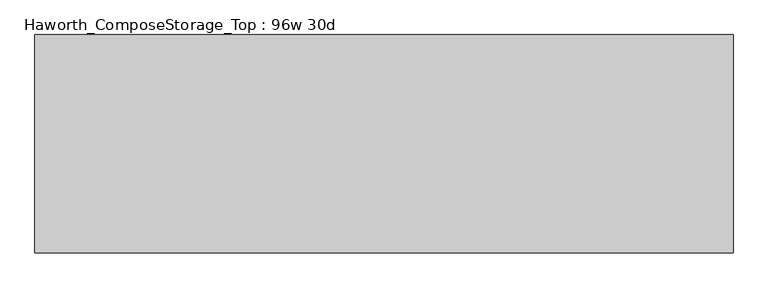
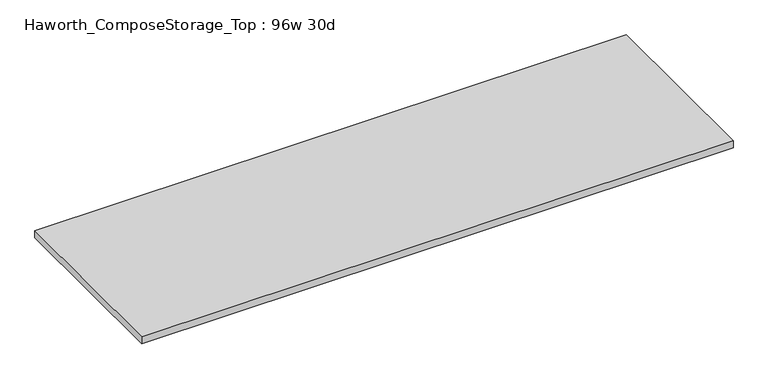
"""IFC4 building model written with IfcOpenShell, lengths in millimetres: furniture geometry, Haworth_ComposeStorage_Top : 96w 30d."""

from ifc_helpers import new_model, si_unit, frame, origin, place, context, project, spatial, polyline, outline, extrude, source, transform, mapped, element, save


def haworth_composestorage_top_96w_30d_c8a3e827(model_context):
    return source(origin(), model_context, "Body", "SweptSolid", [
        extrude(outline(polyline([(1219.2, 381.0), (1219.2, -381.0), (-1219.2, -381.0), (-1219.2, 381.0), (1219.2, 381.0)])), frame((0.0, 0.0, 706.4375), z_axis=(0.0, 0.0, 1.0), x_axis=(1.0, 0.0, 0.0)), (0.0, 0.0, 1.0), 30.1625),
    ])


if __name__ == "__main__":
    model = new_model("IFC4")
    model_context = context("Model", 3, world=origin())
    ifc_project = project(units=[si_unit("LENGTHUNIT", "METRE", prefix="MILLI")], contexts=[model_context])
    site = spatial("IfcSite", under=ifc_project)
    building = spatial("IfcBuilding", under=site)
    placement = place(None, origin())
    haworth_composestorage_top_96w_30d_shape = haworth_composestorage_top_96w_30d_c8a3e827(model_context)
    element("IfcFurniture", 1, ObjectType="Haworth_ComposeStorage_Top : 96w 30d", at=placement, inside=building, context=model_context, shape_type="MappedRepresentation", body=[
        mapped(haworth_composestorage_top_96w_30d_shape, transform((0.0, 0.0, 0.0), x_axis=(1.0, 0.0, 0.0), y_axis=(0.0, 1.0, 0.0), z_axis=(0.0, 0.0, 1.0))),
    ])
    save(model, "model.ifc")
